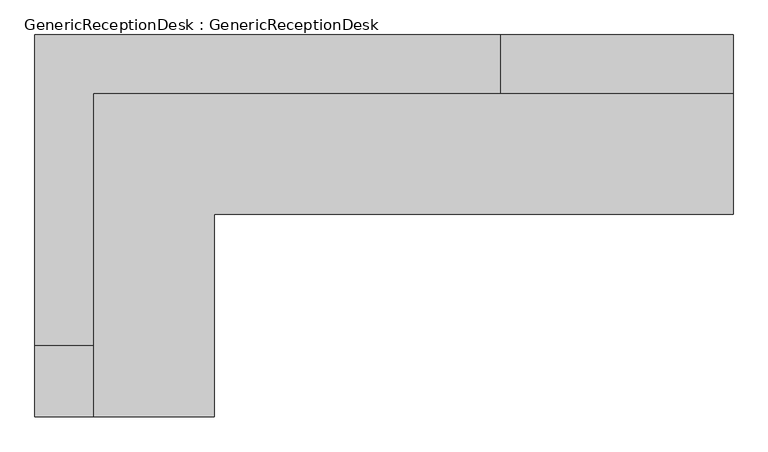
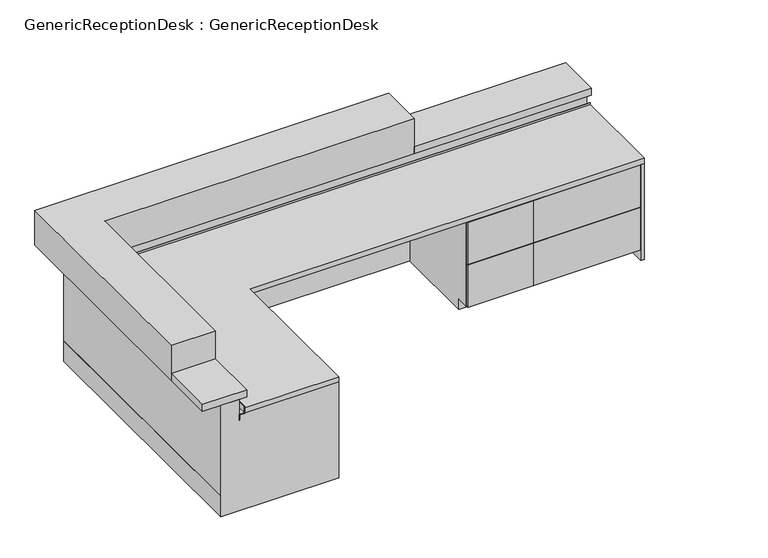
"""IFC4 building model written with IfcOpenShell, lengths in millimetres: furniture geometry, GenericReceptionDesk : GenericReceptionDesk."""

from ifc_helpers import new_model, si_unit, frame, origin, origin_with_axes, place, context, project, spatial, polyline, outline, extrude, faceted_brep, source, transform, mapped, element, save


def genericreceptiondesk_genericreceptiondesk_51fe2970(model_context):
    return source(origin(), model_context, "Body", "SolidModel", [
        extrude(outline(polyline([(-762.0, -144.2125), (-774.7, -144.2125), (-774.7, 309.8125), (-762.0, 309.8125), (-762.0, -144.2125)])), frame((0.0, 0.0, 76.2), z_axis=(0.0, 0.0, 1.0), x_axis=(1.0, 0.0, 0.0)), (0.0, 0.0, 1.0), 309.5625),
        extrude(outline(polyline([(-774.7, 298.7), (-774.7, -133.1), (-1422.4, -133.1), (-1422.4, 298.7), (-774.7, 298.7)])), frame((0.0, 0.0, 76.2), z_axis=(0.0, 0.0, 1.0), x_axis=(1.0, 0.0, 0.0)), (0.0, 0.0, 1.0), 12.7),
        faceted_brep([(-865.1875, 311.4, 0.0), (-865.1875, -145.8, 0.0), (-1447.8, -145.8, 0.0), (-1447.8, 311.4, 0.0), (-1428.75, -133.1, 0.0), (-1422.4, -133.1, 0.0), (-1422.4, 298.7, 0.0), (-1428.75, 298.7, 0.0), (-1384.3, -133.1, 0.0), (-903.2875, -133.1, 0.0), (-903.2875, 298.7, 0.0), (-1384.3, 298.7, 0.0), (-1428.75, 298.7, 127.0), (-1428.75, -133.1, 127.0), (-1447.8, 298.7, 127.0), (-1447.8, -133.1, 127.0), (-1447.8, -145.8, 698.5), (-1447.8, 311.4, 698.5), (-1447.8, 298.7, 596.9), (-1447.8, -133.1, 596.9), (-774.7, -145.8, 698.5), (-774.7, 311.4, 698.5), (-800.0679767, -133.1, 698.5), (-1346.2, -133.1, 698.5), (-1346.2, 298.7, 698.5), (-800.0679767, 298.7, 698.5), (-1428.75, 298.7, 698.5), (-1422.4, 298.7, 698.5), (-1422.4, -133.1, 698.5), (-1428.75, -133.1, 698.5), (-1428.75, 298.7, 596.9), (-1428.75, -133.1, 596.9), (-1346.2, 298.7, 679.45), (-1346.2, -133.1, 679.45), (-1422.4, 298.7, 679.45), (-1422.4, -133.1, 679.45), (-1384.3, 298.7, 76.2), (-1384.3, -133.1, 76.2), (-1422.4, 298.7, 76.2), (-1422.4, -133.1, 76.2), (-865.1875, -133.1, 76.2), (-865.1875, -145.8, 76.2), (-865.1875, 311.4, 76.2), (-865.1875, 298.7, 76.2), (-903.2875, 298.7, 76.2), (-903.2875, -133.1, 76.2), (-800.0679767, 298.7, 679.45), (-800.0679767, -133.1, 679.45), (-774.7, 298.7, 679.45), (-774.7, -133.1, 679.45), (-774.7, 298.7, 76.2), (-774.7, 311.4, 76.2), (-774.7, -145.8, 76.2), (-774.7, -133.1, 76.2)], [[[0, 1, 2, 3], [4, 5, 6, 7], [8, 9, 10, 11]], [[7, 12, 13, 4]], [[12, 14, 15, 13]], [[2, 16, 17, 3], [14, 18, 19, 15]], [[16, 20, 21, 17], [22, 23, 24, 25], [26, 27, 28, 29]], [[18, 30, 31, 19]], [[29, 31, 30, 26]], [[32, 24, 23, 33]], [[27, 34, 35, 28]], [[33, 35, 34, 32]], [[11, 36, 37, 8]], [[36, 38, 39, 37]], [[5, 39, 38, 6]], [[40, 41, 1, 0, 42, 43]], [[43, 44, 45, 40]], [[9, 45, 44, 10]], [[25, 46, 47, 22]], [[46, 48, 49, 47]], [[48, 50, 51, 21, 20, 52, 53, 49]], [[16, 2, 1, 41, 52, 20]], [[40, 45, 9, 8, 37, 39, 5, 4, 13, 15, 19, 31, 29, 28, 35, 33, 23, 22, 47, 49, 53]], [[41, 40, 53, 52]], [[17, 21, 51, 42, 0, 3]], [[50, 48, 46, 25, 24, 32, 34, 27, 26, 30, 18, 14, 12, 7, 6, 38, 36, 11, 10, 44, 43]], [[51, 50, 43, 42]]]),
        extrude(outline(polyline([(-762.0, -144.2125), (-774.7, -144.2125), (-774.7, 309.8125), (-762.0, 309.8125), (-762.0, -144.2125)])), frame((0.0, 0.0, 388.9375), z_axis=(0.0, 0.0, 1.0), x_axis=(1.0, 0.0, 0.0)), (0.0, 0.0, 1.0), 306.3875),
        extrude(outline(polyline([(-1422.4, 298.7), (-1422.4, -133.1), (-1428.75, -133.1), (-1428.75, 298.7), (-1422.4, 298.7)])), origin_with_axes(), (0.0, 0.0, 1.0), 698.5),
        extrude(outline(polyline([(-863.6, 311.4), (-863.6, -145.8), (-865.1875, -145.8), (-865.1875, 311.4), (-863.6, 311.4)])), origin_with_axes(), (0.0, 0.0, 1.0), 76.2),
        extrude(outline(polyline([(1195.3875, 889.0), (1195.3875, 901.7), (1928.8125, 901.7), (1928.8125, 889.0), (1195.3875, 889.0)])), frame((0.0, 0.0, 76.2), z_axis=(0.0, 0.0, 1.0), x_axis=(1.0, 0.0, 0.0)), (0.0, 0.0, 1.0), 309.5625),
        extrude(outline(polyline([(1917.7, 901.7), (1206.5, 901.7), (1206.5, 1549.4), (1917.7, 1549.4), (1917.7, 901.7)])), frame((0.0, 0.0, 76.2), z_axis=(0.0, 0.0, 1.0), x_axis=(1.0, 0.0, 0.0)), (0.0, 0.0, 1.0), 12.7),
        faceted_brep([(1930.4, 992.1875, 0.0), (1193.8, 992.1875, 0.0), (1193.8, 1574.8, 0.0), (1930.4, 1574.8, 0.0), (1206.5, 1555.75, 0.0), (1206.5, 1549.4, 0.0), (1917.7, 1549.4, 0.0), (1917.7, 1555.75, 0.0), (1206.5, 1511.3, 0.0), (1206.5, 1030.2875, 0.0), (1917.7, 1030.2875, 0.0), (1917.7, 1511.3, 0.0), (1917.7, 1555.75, 127.0), (1206.5, 1555.75, 127.0), (1917.7, 1574.8, 127.0), (1206.5, 1574.8, 127.0), (1193.8, 1574.8, 698.5), (1930.4, 1574.8, 698.5), (1917.7, 1574.8, 596.9), (1206.5, 1574.8, 596.9), (1193.8, 901.7, 698.5), (1930.4, 901.7, 698.5), (1206.5, 927.0679767, 698.5), (1206.5, 1473.2, 698.5), (1917.7, 1473.2, 698.5), (1917.7, 927.0679767, 698.5), (1917.7, 1555.75, 698.5), (1917.7, 1549.4, 698.5), (1206.5, 1549.4, 698.5), (1206.5, 1555.75, 698.5), (1917.7, 1555.75, 596.9), (1206.5, 1555.75, 596.9), (1917.7, 1473.2, 679.45), (1206.5, 1473.2, 679.45), (1917.7, 1549.4, 679.45), (1206.5, 1549.4, 679.45), (1917.7, 1511.3, 76.2), (1206.5, 1511.3, 76.2), (1917.7, 1549.4, 76.2), (1206.5, 1549.4, 76.2), (1206.5, 992.1875, 76.2), (1193.8, 992.1875, 76.2), (1930.4, 992.1875, 76.2), (1917.7, 992.1875, 76.2), (1917.7, 1030.2875, 76.2), (1206.5, 1030.2875, 76.2), (1917.7, 927.0679767, 679.45), (1206.5, 927.0679767, 679.45), (1917.7, 901.7, 679.45), (1206.5, 901.7, 679.45), (1917.7, 901.7, 76.2), (1930.4, 901.7, 76.2), (1193.8, 901.7, 76.2), (1206.5, 901.7, 76.2)], [[[0, 1, 2, 3], [4, 5, 6, 7], [8, 9, 10, 11]], [[7, 12, 13, 4]], [[12, 14, 15, 13]], [[2, 16, 17, 3], [14, 18, 19, 15]], [[16, 20, 21, 17], [22, 23, 24, 25], [26, 27, 28, 29]], [[18, 30, 31, 19]], [[29, 31, 30, 26]], [[32, 24, 23, 33]], [[27, 34, 35, 28]], [[33, 35, 34, 32]], [[11, 36, 37, 8]], [[36, 38, 39, 37]], [[5, 39, 38, 6]], [[40, 41, 1, 0, 42, 43]], [[43, 44, 45, 40]], [[9, 45, 44, 10]], [[25, 46, 47, 22]], [[46, 48, 49, 47]], [[48, 50, 51, 21, 20, 52, 53, 49]], [[16, 2, 1, 41, 52, 20]], [[40, 45, 9, 8, 37, 39, 5, 4, 13, 15, 19, 31, 29, 28, 35, 33, 23, 22, 47, 49, 53]], [[41, 40, 53, 52]], [[17, 21, 51, 42, 0, 3]], [[50, 48, 46, 25, 24, 32, 34, 27, 26, 30, 18, 14, 12, 7, 6, 38, 36, 11, 10, 44, 43]], [[51, 50, 43, 42]]]),
        extrude(outline(polyline([(1195.3875, 889.0), (1195.3875, 901.7), (1928.8125, 901.7), (1928.8125, 889.0), (1195.3875, 889.0)])), frame((0.0, 0.0, 388.9375), z_axis=(0.0, 0.0, 1.0), x_axis=(1.0, 0.0, 0.0)), (0.0, 0.0, 1.0), 306.3875),
        extrude(outline(polyline([(1917.7, 1549.4), (1206.5, 1549.4), (1206.5, 1555.75), (1917.7, 1555.75), (1917.7, 1549.4)])), origin_with_axes(), (0.0, 0.0, 1.0), 698.5),
        extrude(outline(polyline([(1930.4, 990.6), (1193.8, 990.6), (1193.8, 992.1875), (1930.4, 992.1875), (1930.4, 990.6)])), origin_with_axes(), (0.0, 0.0, 1.0), 76.2),
        extrude(outline(polyline([(738.1875, 889.0), (738.1875, 901.7), (1192.2125, 901.7), (1192.2125, 889.0), (738.1875, 889.0)])), frame((0.0, 0.0, 76.2), z_axis=(0.0, 0.0, 1.0), x_axis=(1.0, 0.0, 0.0)), (0.0, 0.0, 1.0), 309.5625),
        extrude(outline(polyline([(1181.1, 901.7), (749.3, 901.7), (749.3, 1549.4), (1181.1, 1549.4), (1181.1, 901.7)])), frame((0.0, 0.0, 76.2), z_axis=(0.0, 0.0, 1.0), x_axis=(1.0, 0.0, 0.0)), (0.0, 0.0, 1.0), 12.7),
        faceted_brep([(1193.8, 992.1875, 0.0), (736.6, 992.1875, 0.0), (736.6, 1574.8, 0.0), (1193.8, 1574.8, 0.0), (749.3, 1555.75, 0.0), (749.3, 1549.4, 0.0), (1181.1, 1549.4, 0.0), (1181.1, 1555.75, 0.0), (749.3, 1511.3, 0.0), (749.3, 1030.2875, 0.0), (1181.1, 1030.2875, 0.0), (1181.1, 1511.3, 0.0), (1181.1, 1555.75, 127.0), (749.3, 1555.75, 127.0), (1181.1, 1574.8, 127.0), (749.3, 1574.8, 127.0), (736.6, 1574.8, 698.5), (1193.8, 1574.8, 698.5), (1181.1, 1574.8, 596.9), (749.3, 1574.8, 596.9), (736.6, 901.7, 698.5), (1193.8, 901.7, 698.5), (749.3, 927.0679767, 698.5), (749.3, 1473.2, 698.5), (1181.1, 1473.2, 698.5), (1181.1, 927.0679767, 698.5), (1181.1, 1555.75, 698.5), (1181.1, 1549.4, 698.5), (749.3, 1549.4, 698.5), (749.3, 1555.75, 698.5), (1181.1, 1555.75, 596.9), (749.3, 1555.75, 596.9), (1181.1, 1473.2, 679.45), (749.3, 1473.2, 679.45), (1181.1, 1549.4, 679.45), (749.3, 1549.4, 679.45), (1181.1, 1511.3, 76.2), (749.3, 1511.3, 76.2), (1181.1, 1549.4, 76.2), (749.3, 1549.4, 76.2), (749.3, 992.1875, 76.2), (736.6, 992.1875, 76.2), (1193.8, 992.1875, 76.2), (1181.1, 992.1875, 76.2), (1181.1, 1030.2875, 76.2), (749.3, 1030.2875, 76.2), (1181.1, 927.0679767, 679.45), (749.3, 927.0679767, 679.45), (1181.1, 901.7, 679.45), (749.3, 901.7, 679.45), (1181.1, 901.7, 76.2), (1193.8, 901.7, 76.2), (736.6, 901.7, 76.2), (749.3, 901.7, 76.2)], [[[0, 1, 2, 3], [4, 5, 6, 7], [8, 9, 10, 11]], [[7, 12, 13, 4]], [[12, 14, 15, 13]], [[2, 16, 17, 3], [14, 18, 19, 15]], [[16, 20, 21, 17], [22, 23, 24, 25], [26, 27, 28, 29]], [[18, 30, 31, 19]], [[29, 31, 30, 26]], [[32, 24, 23, 33]], [[27, 34, 35, 28]], [[33, 35, 34, 32]], [[11, 36, 37, 8]], [[36, 38, 39, 37]], [[5, 39, 38, 6]], [[40, 41, 1, 0, 42, 43]], [[43, 44, 45, 40]], [[9, 45, 44, 10]], [[25, 46, 47, 22]], [[46, 48, 49, 47]], [[48, 50, 51, 21, 20, 52, 53, 49]], [[16, 2, 1, 41, 52, 20]], [[40, 45, 9, 8, 37, 39, 5, 4, 13, 15, 19, 31, 29, 28, 35, 33, 23, 22, 47, 49, 53]], [[41, 40, 53, 52]], [[17, 21, 51, 42, 0, 3]], [[50, 48, 46, 25, 24, 32, 34, 27, 26, 30, 18, 14, 12, 7, 6, 38, 36, 11, 10, 44, 43]], [[51, 50, 43, 42]]]),
        extrude(outline(polyline([(738.1875, 889.0), (738.1875, 901.7), (1192.2125, 901.7), (1192.2125, 889.0), (738.1875, 889.0)])), frame((0.0, 0.0, 388.9375), z_axis=(0.0, 0.0, 1.0), x_axis=(1.0, 0.0, 0.0)), (0.0, 0.0, 1.0), 306.3875),
        extrude(outline(polyline([(1181.1, 1549.4), (749.3, 1549.4), (749.3, 1555.75), (1181.1, 1555.75), (1181.1, 1549.4)])), origin_with_axes(), (0.0, 0.0, 1.0), 698.5),
        extrude(outline(polyline([(1193.8, 990.6), (736.6, 990.6), (736.6, 992.1875), (1193.8, 992.1875), (1193.8, 990.6)])), origin_with_axes(), (0.0, 0.0, 1.0), 76.2),
        faceted_brep([(1955.8, 1574.8, 701.675), (1955.8, 1539.875, 701.675), (1955.8, 1539.875, 749.3), (1955.8, 1536.7, 749.3), (1955.8, 1536.7, 698.5), (1955.8, 1571.625, 698.5), (1955.8, 1571.625, 660.4), (1955.8, 1574.8, 660.4), (-1447.8, 1574.8, 660.4), (-1447.8, 1574.8, 701.675), (-1444.625, 1571.625, 660.4), (-1444.625, -171.2, 660.4), (-1447.8, -171.2, 660.4), (-1444.625, 1571.625, 698.5), (-1409.7, 1536.7, 698.5), (-1409.7, -171.2, 698.5), (-1444.625, -171.2, 698.5), (-1409.7, 1536.7, 749.3), (-1412.875, 1539.875, 749.3), (-1412.875, -171.2, 749.3), (-1409.7, -171.2, 749.3), (-1412.875, 1539.875, 701.675), (-1447.8, -171.2, 701.675), (-1412.875, -171.2, 701.675)], [[[0, 1, 2, 3, 4, 5, 6, 7]], [[7, 8, 9, 0]], [[6, 10, 11, 12, 8, 7]], [[5, 13, 10, 6]], [[4, 14, 15, 16, 13, 5]], [[3, 17, 14, 4]], [[2, 18, 19, 20, 17, 3]], [[1, 21, 18, 2]], [[0, 9, 22, 23, 21, 1]], [[22, 12, 11, 16, 15, 20, 19, 23]], [[8, 12, 22, 9]], [[13, 16, 11, 10]], [[17, 20, 15, 14]], [[21, 23, 19, 18]]]),
        faceted_brep([(-1447.8, -171.2, 812.8), (-1447.8, 1574.8, 812.8), (1955.8, 1574.8, 812.8), (1955.8, 1701.8, 812.8), (-1574.8, 1701.8, 812.8), (-1574.8, -171.2, 812.8), (1955.8, 1701.8, 0.0), (1955.8, 889.0, 0.0), (1930.4, 889.0, 0.0), (1930.4, 1574.8, 0.0), (-1447.8, 1574.8, 0.0), (-1447.8, -145.8, 0.0), (-762.0, -145.8, 0.0), (-762.0, -171.2, 0.0), (-1574.8, -171.2, 0.0), (-1574.8, 1701.8, 0.0), (-1574.8, -171.2, 152.4), (-1571.625, -171.2, 152.4), (-1571.625, -171.2, 149.225), (-1574.8, -171.2, 149.225), (-762.0, -171.2, 698.5), (-1447.8, -171.2, 698.5), (-1574.8, 1701.8, 149.225), (-1574.8, 1701.8, 152.4), (1955.8, 1701.8, 149.225), (1955.8, 1701.8, 152.4), (1955.8, 1574.8, 698.5), (1955.8, 889.0, 698.5), (1955.8, 1698.625, 149.225), (1955.8, 1698.625, 152.4), (1930.4, 1574.8, 698.5), (-1447.8, -145.8, 698.5), (-1571.625, 1698.625, 152.4), (-1571.625, 1698.625, 149.225), (1930.4, 889.0, 698.5), (-762.0, -145.8, 698.5)], [[[0, 1, 2, 3, 4, 5]], [[6, 7, 8, 9, 10, 11, 12, 13, 14, 15]], [[5, 16, 17, 18, 19, 14, 13, 20, 21, 0]], [[14, 19, 22, 15]], [[4, 23, 16, 5]], [[15, 22, 24, 6]], [[3, 25, 23, 4]], [[2, 26, 27, 7, 6, 24, 28, 29, 25, 3]], [[1, 10, 9, 30, 26, 2]], [[0, 21, 31, 11, 10, 1]], [[17, 16, 23, 25, 29, 32]], [[28, 24, 22, 19, 18, 33]], [[29, 28, 33, 32]], [[32, 33, 18, 17]], [[27, 26, 30, 34]], [[31, 21, 20, 35]], [[35, 12, 11, 31]], [[20, 13, 12, 35]], [[34, 8, 7, 27]], [[30, 9, 8, 34]]]),
        extrude(outline(polyline([(-762.0, 889.0), (-762.0, -171.2), (-1409.7, -171.2), (-1409.7, 1536.7), (1955.8, 1536.7), (1955.8, 889.0), (-762.0, 889.0)])), frame((0.0, 0.0, 698.5), z_axis=(0.0, 0.0, 1.0), x_axis=(1.0, 0.0, 0.0)), (0.0, 0.0, 1.0), 38.1),
        extrude(outline(polyline([(-1701.8, 1828.8), (736.6, 1828.8), (736.6, 1524.0), (-1397.0, 1524.0), (-1397.0, 203.2), (-1701.8, 203.2), (-1701.8, 1828.8)])), frame((0.0, 0.0, 812.8), z_axis=(0.0, 0.0, 1.0), x_axis=(1.0, 0.0, 0.0)), (0.0, 0.0, 1.0), 254.0),
        extrude(outline(polyline([(1955.8, 1524.0), (736.6, 1524.0), (736.6, 1828.8), (1955.8, 1828.8), (1955.8, 1524.0)])), frame((0.0, 0.0, 812.8), z_axis=(0.0, 0.0, 1.0), x_axis=(1.0, 0.0, 0.0)), (0.0, 0.0, 1.0), 50.8),
        extrude(outline(polyline([(-1397.0, 203.2), (-1397.0, -171.2), (-1701.8, -171.2), (-1701.8, 203.2), (-1397.0, 203.2)])), frame((0.0, 0.0, 812.8), z_axis=(0.0, 0.0, 1.0), x_axis=(1.0, 0.0, 0.0)), (0.0, 0.0, 1.0), 50.8),
    ])


if __name__ == "__main__":
    model = new_model("IFC4")
    model_context = context("Model", 3, world=origin())
    ifc_project = project(units=[si_unit("LENGTHUNIT", "METRE", prefix="MILLI")], contexts=[model_context])
    site = spatial("IfcSite", under=ifc_project)
    building = spatial("IfcBuilding", under=site)
    placement = place(None, origin())
    genericreceptiondesk_genericreceptiondesk_shape = genericreceptiondesk_genericreceptiondesk_51fe2970(model_context)
    element("IfcFurniture", 1, ObjectType="GenericReceptionDesk : GenericReceptionDesk", at=placement, inside=building, context=model_context, shape_type="MappedRepresentation", body=[
        mapped(genericreceptiondesk_genericreceptiondesk_shape, transform((0.0, 0.0, 0.0), x_axis=(1.0, 0.0, 0.0), y_axis=(0.0, 1.0, 0.0), z_axis=(0.0, 0.0, 1.0))),
    ])
    save(model, "model.ifc")
